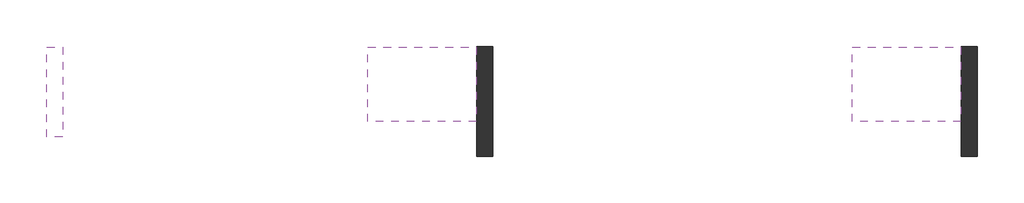
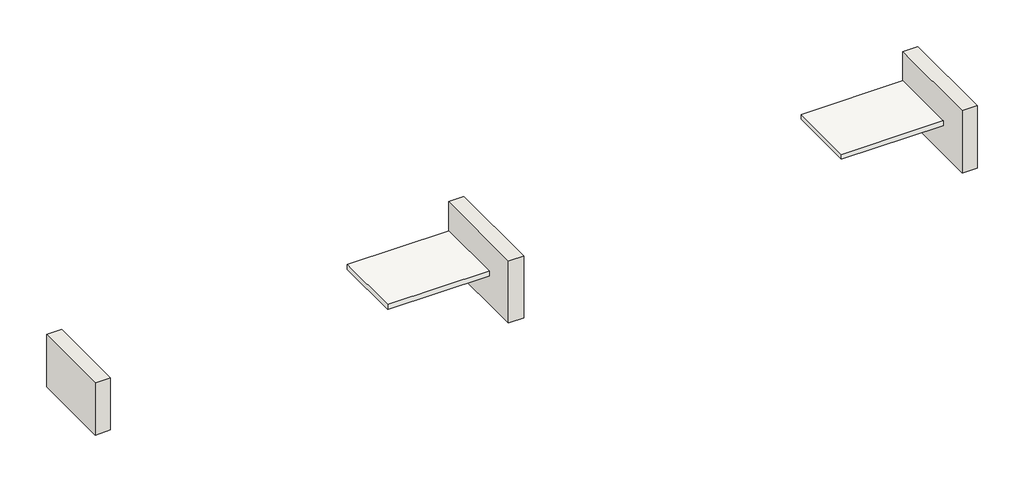
# One storey: 3 walls, 2 slabs.
"""IFC4 building model written with IfcOpenShell, lengths in millimetres."""

from ifc_helpers import new_model, si_unit, frame, origin, place, context, project, spatial, polyline, outline, extrude, element, save

model = new_model("IFC4")

# Units and contexts
model_context = context("Model", 3, world=origin())
ifc_project = project(units=[si_unit("LENGTHUNIT", "METRE", prefix="MILLI")], contexts=[model_context])

# Site, building, storey
site = spatial("IfcSite", under=ifc_project)
building = spatial("IfcBuilding", under=site)
storey = spatial("IfcBuildingStorey", under=building, Elevation=-300.0)

# Slabs
placement = place(None, origin())
element("IfcSlab", 1, at=placement, inside=storey, context=model_context, shape_type="SweptSolid", body=[
    extrude(outline(polyline([(8836.7093764, 9649.2447161), (8836.7093764, 13769.2447161), (14836.7093764, 13769.2447161), (14836.7093764, 9649.2447161), (8836.7093764, 9649.2447161)])), frame((0.0, 0.0, 2360.913375), z_axis=(0.0, 0.0, 1.0), x_axis=(1.0, 0.0, 0.0)), (0.0, 0.0, 1.0), 300.0),
])
element("IfcSlab", 2, at=placement, inside=storey, context=model_context, shape_type="SweptSolid", body=[
    extrude(outline(polyline([(35636.7093764, 9649.2447161), (35636.7093764, 13769.2447161), (41636.7093764, 13769.2447161), (41636.7093764, 9649.2447161), (35636.7093764, 9649.2447161)])), frame((0.0, 0.0, 2360.913375), z_axis=(0.0, 0.0, 1.0), x_axis=(1.0, 0.0, 0.0)), (0.0, 0.0, 1.0), 300.0),
])

# Walls
element("IfcWall", 3, at=placement, inside=storey, context=model_context, shape_type="SweptSolid", body=[
    extrude(outline(polyline([(-8024.9802693, 13769.2447161), (-8024.9802693, 8809.2447161), (-8924.9802693, 8809.2447161), (-8924.9802693, 13769.2447161), (-8024.9802693, 13769.2447161)])), frame((0.0, 0.0, 1232.7066929), z_axis=(0.0, 0.0, 1.0), x_axis=(1.0, 0.0, 0.0)), (0.0, 0.0, 1.0), 3275.1855208),
])
element("IfcWall", 4, at=placement, inside=storey, context=model_context, shape_type="SweptSolid", body=[
    extrude(outline(polyline([(15749.2594014, 13817.1364417), (15749.2594014, 7717.1364417), (14849.2594014, 7717.1364417), (14849.2594014, 13817.1364417), (15749.2594014, 13817.1364417)])), frame((0.0, 0.0, 569.7258395), z_axis=(0.0, 0.0, 1.0), x_axis=(1.0, 0.0, 0.0)), (0.0, 0.0, 1.0), 3887.7494582),
])
element("IfcWall", 5, at=placement, inside=storey, context=model_context, shape_type="SweptSolid", body=[
    extrude(outline(polyline([(42549.2594014, 13817.1364417), (42549.2594014, 7717.1364417), (41649.2594014, 7717.1364417), (41649.2594014, 13817.1364417), (42549.2594014, 13817.1364417)])), frame((0.0, 0.0, 569.7258395), z_axis=(0.0, 0.0, 1.0), x_axis=(1.0, 0.0, 0.0)), (0.0, 0.0, 1.0), 3887.7494582),
])

save(model, "model.ifc")
